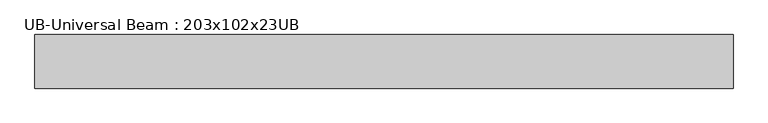
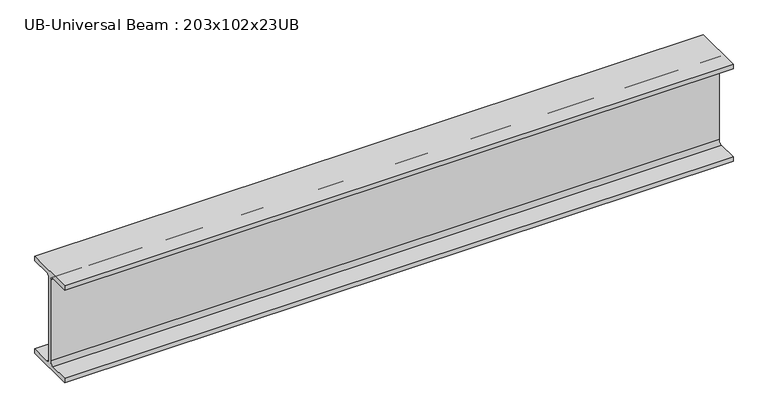
"""IFC4 building model written with IfcOpenShell, lengths in millimetres: beam geometry, UB-Universal Beam : 203x102x23UB."""

from ifc_helpers import new_model, si_unit, point, frame, frame_2d, origin, place, context, project, spatial, polyline, circle_curve, trimmed, segment, composite_curve, outline, extrude, source, transform, mapped, element, save


def ub_universal_beam_203x102x23ub_bd9416ab(model_context):
    return source(origin(), model_context, "Body", "SweptSolid", [
        extrude(outline(composite_curve([segment(polyline([(50.9, -92.3), (50.9, -101.6), (-50.9, -101.6), (-50.9, -92.3), (-10.3, -92.3)]), True, "CONTINUOUS"), segment(trimmed(circle_curve(frame_2d((-10.3, -84.7)), 7.6), [point((-10.3, -92.3))], [point((-2.7, -84.7))], True, "CARTESIAN"), True, "CONTINUOUS"), segment(polyline([(-2.7, -84.7), (-2.7, 84.7)]), True, "CONTINUOUS"), segment(trimmed(circle_curve(frame_2d((-10.3, 84.7)), 7.6), [point((-2.7, 84.7))], [point((-10.3, 92.3))], True, "CARTESIAN"), True, "CONTINUOUS"), segment(polyline([(-10.3, 92.3), (-50.9, 92.3), (-50.9, 101.6), (50.9, 101.6), (50.9, 92.3), (10.3, 92.3)]), True, "CONTINUOUS"), segment(trimmed(circle_curve(frame_2d((10.3, 84.7)), 7.6), [point((10.3, 92.3))], [point((2.7, 84.7))], True, "CARTESIAN"), True, "CONTINUOUS"), segment(polyline([(2.7, 84.7), (2.7, -84.7)]), True, "CONTINUOUS"), segment(trimmed(circle_curve(frame_2d((10.3, -84.7)), 7.6), [point((2.7, -84.7))], [point((10.3, -92.3))], True, "CARTESIAN"), True, "CONTINUOUS"), segment(polyline([(10.3, -92.3), (50.9, -92.3)]), True, "CONTINUOUS")], self_intersect=False)), frame((-660.7, 0.0, 0.0), z_axis=(1.0, 0.0, 0.0), x_axis=(0.0, 1.0, 0.0)), (0.0, 0.0, 1.0), 1325.5),
    ])


if __name__ == "__main__":
    model = new_model("IFC4")
    model_context = context("Model", 3, world=origin())
    ifc_project = project(units=[si_unit("LENGTHUNIT", "METRE", prefix="MILLI")], contexts=[model_context])
    site = spatial("IfcSite", under=ifc_project)
    building = spatial("IfcBuilding", under=site)
    placement = place(None, origin())
    ub_universal_beam_203x102x23ub_shape = ub_universal_beam_203x102x23ub_bd9416ab(model_context)
    element("IfcBeam", 1, ObjectType="UB-Universal Beam : 203x102x23UB", at=placement, inside=building, context=model_context, shape_type="MappedRepresentation", body=[
        mapped(ub_universal_beam_203x102x23ub_shape, transform((0.0, 0.0, 0.0), x_axis=(1.0, 0.0, 0.0), y_axis=(0.0, 1.0, 0.0), z_axis=(0.0, 0.0, 1.0))),
    ])
    save(model, "model.ifc")
